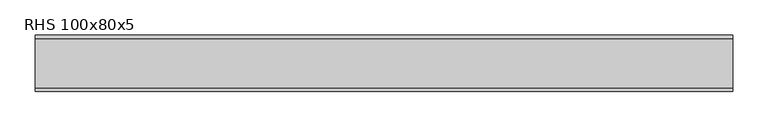
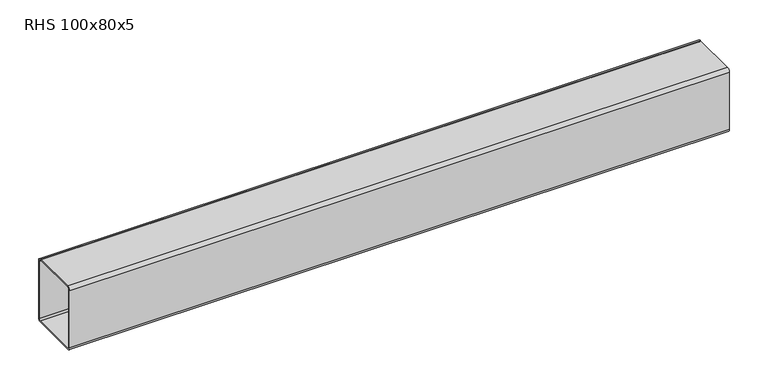
"""IFC4 building model written with IfcOpenShell, lengths in millimetres: beam geometry, RHS 100x80x5."""

from ifc_helpers import new_model, si_unit, point, frame, frame_2d, origin, place, context, project, spatial, polyline, circle_curve, trimmed, segment, composite_curve, outline, extrude, source, transform, mapped, element, save


def rhs_100x80x5_cb81fe4c(model_context):
    return source(origin(), model_context, "Body", "SweptSolid", [
        extrude(outline(composite_curve([segment(polyline([(40.0, 45.0), (40.0, -45.0)]), True, "CONTINUOUS"), segment(trimmed(circle_curve(frame_2d((35.0, -45.0)), 5.0), [point((40.0, -45.0))], [point((35.0, -50.0))], False, "CARTESIAN"), True, "CONTINUOUS"), segment(polyline([(35.0, -50.0), (-35.0, -50.0)]), True, "CONTINUOUS"), segment(trimmed(circle_curve(frame_2d((-35.0, -45.0)), 5.0), [point((-35.0, -50.0))], [point((-40.0, -45.0))], False, "CARTESIAN"), True, "CONTINUOUS"), segment(polyline([(-40.0, -45.0), (-40.0, 45.0)]), True, "CONTINUOUS"), segment(trimmed(circle_curve(frame_2d((-35.0, 45.0)), 5.0), [point((-40.0, 45.0))], [point((-35.0, 50.0))], False, "CARTESIAN"), True, "CONTINUOUS"), segment(polyline([(-35.0, 50.0), (35.0, 50.0)]), True, "CONTINUOUS"), segment(trimmed(circle_curve(frame_2d((35.0, 45.0)), 5.0), [point((35.0, 50.0))], [point((40.0, 45.0))], False, "CARTESIAN"), True, "CONTINUOUS")], self_intersect=False), holes=[composite_curve([segment(trimmed(circle_curve(frame_2d((-35.0, 45.0)), 2.5), [point((-35.0, 47.5))], [point((-37.5, 45.0))], True, "CARTESIAN"), True, "CONTINUOUS"), segment(polyline([(-37.5, 45.0), (-37.5, -45.0)]), True, "CONTINUOUS"), segment(trimmed(circle_curve(frame_2d((-35.0, -45.0)), 2.5), [point((-37.5, -45.0))], [point((-35.0, -47.5))], True, "CARTESIAN"), True, "CONTINUOUS"), segment(polyline([(-35.0, -47.5), (35.0, -47.5)]), True, "CONTINUOUS"), segment(trimmed(circle_curve(frame_2d((35.0, -45.0)), 2.5), [point((35.0, -47.5))], [point((37.5, -45.0))], True, "CARTESIAN"), True, "CONTINUOUS"), segment(polyline([(37.5, -45.0), (37.5, 45.0)]), True, "CONTINUOUS"), segment(trimmed(circle_curve(frame_2d((35.0, 45.0)), 2.5), [point((37.5, 45.0))], [point((35.0, 47.5))], True, "CARTESIAN"), True, "CONTINUOUS"), segment(polyline([(35.0, 47.5), (-35.0, 47.5)]), True, "CONTINUOUS")], self_intersect=False)]), frame((-500.1237034, 0.0, 0.0), z_axis=(1.0, 0.0, 0.0), x_axis=(0.0, 1.0, 0.0)), (0.0, 0.0, 1.0), 987.342763),
    ])


if __name__ == "__main__":
    model = new_model("IFC4")
    model_context = context("Model", 3, world=origin())
    ifc_project = project(units=[si_unit("LENGTHUNIT", "METRE", prefix="MILLI")], contexts=[model_context])
    site = spatial("IfcSite", under=ifc_project)
    building = spatial("IfcBuilding", under=site)
    placement = place(None, origin())
    rhs_100x80x5_shape = rhs_100x80x5_cb81fe4c(model_context)
    element("IfcBeam", 1, ObjectType="RHS 100x80x5", at=placement, inside=building, context=model_context, shape_type="MappedRepresentation", body=[
        mapped(rhs_100x80x5_shape, transform((0.0, 0.0, 0.0), x_axis=(1.0, 0.0, 0.0), y_axis=(0.0, 1.0, 0.0), z_axis=(0.0, 0.0, 1.0))),
    ])
    save(model, "model.ifc")
